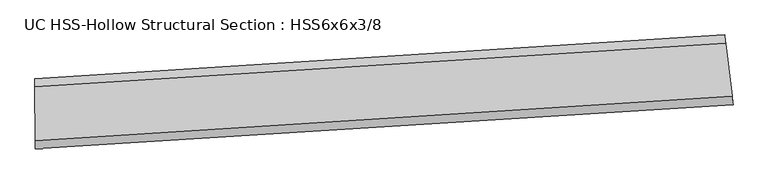
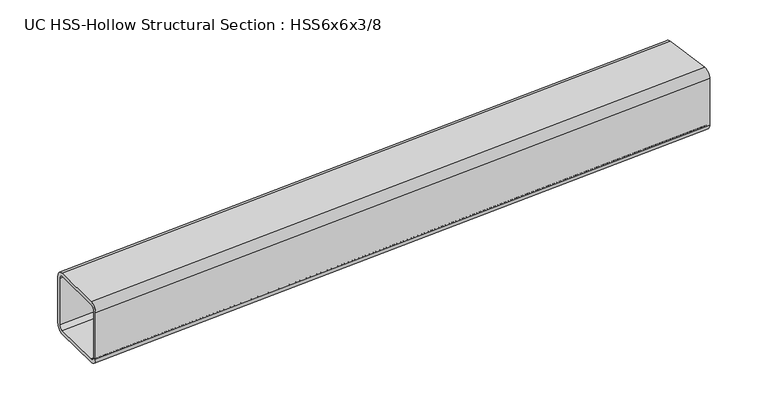
"""IFC4 building model written with IfcOpenShell, lengths in millimetres: beam geometry, UC HSS-Hollow Structural Section : HSS6x6x3/8."""

from ifc_helpers import new_model, si_unit, point, frame, origin, place, context, project, spatial, polyline, circle_curve, ellipse_curve, trimmed, source, transform, mapped, element, save
from ifc_brep_helpers import plane_surface, cylinder_surface, revolved_surface, advanced_brep


def uc_hss_hollow_structural_section_hss6x6x3_8_729e7070(model_context):
    return source(origin(), model_context, "Body", "AdvancedBrep", [
        advanced_brep(
        [(1603.5656204, 20.1567265, 58.4708), (1603.5656204, 20.1567265, -58.4708), (1601.4426245, 37.7583577, -76.2), (1587.4393678, 153.8585154, -76.2), (1585.3163719, 171.4601466, -58.4708), (1585.3163719, 171.4601466, 58.4708), (1587.4393678, 153.8585154, 76.2), (1601.4426245, 37.7583577, 76.2), (1587.4393678, 153.8585154, 67.3354), (1586.3778699, 162.659331, 58.4708), (1586.3778699, 162.659331, -58.4708), (1587.4393678, 153.8585154, -67.3354), (1601.4426245, 37.7583577, -67.3354), (1602.5041224, 28.9575421, -58.4708), (1602.5041224, 28.9575421, 58.4708), (1601.4426245, 37.7583577, 67.3354), (88.7461303, -75.9059326, 58.4708), (88.6286374, -58.1771219, 76.2), (87.8536552, 58.7619101, 76.2), (87.7361622, 76.4907208, 58.4708), (87.7361622, 76.4907208, -58.4708), (87.8536552, 58.7619101, -76.2), (88.6286374, -58.1771219, -76.2), (88.7461303, -75.9059326, -58.4708), (87.8536552, 58.7619101, 67.3354), (88.6286374, -58.1771219, 67.3354), (88.6873839, -67.0415272, 58.4708), (88.6873839, -67.0415272, -58.4708), (88.6286374, -58.1771219, -67.3354), (87.8536552, 58.7619101, -67.3354), (87.7949087, 67.6263155, -58.4708), (87.7949087, 67.6263155, 58.4708)],
        [
            (0, 1),
            (1, 2, circle_curve(frame((1601.4426245, 37.7583577, -58.4708), z_axis=(0.99280459378382, 0.11974572460737093, 0.0), x_axis=(-0.11974572460737093, 0.99280459378382, 0.0)), 17.7292)),
            (2, 3),
            (3, 4, circle_curve(frame((1587.4393678, 153.8585154, -58.4708), z_axis=(0.99280459378382, 0.11974572460737093, 0.0), x_axis=(-0.11974572460737093, 0.99280459378382, 0.0)), 17.7292)),
            (4, 5),
            (5, 6, circle_curve(frame((1587.4393678, 153.8585154, 58.4708), z_axis=(0.99280459378382, 0.11974572460737093, 0.0), x_axis=(-0.11974572460737093, 0.99280459378382, 0.0)), 17.7292)),
            (6, 7),
            (7, 0, circle_curve(frame((1601.4426245, 37.7583577, 58.4708), z_axis=(0.99280459378382, 0.11974572460737093, 0.0), x_axis=(-0.11974572460737093, 0.99280459378382, 0.0)), 17.7292)),
            (8, 9, circle_curve(frame((1587.4393678, 153.8585154, 58.4708), z_axis=(-0.99280459378382, -0.11974572460737093, 0.0), x_axis=(-0.11974572460737093, 0.99280459378382, 0.0)), 8.8646)),
            (9, 10),
            (10, 11, circle_curve(frame((1587.4393678, 153.8585154, -58.4708), z_axis=(-0.99280459378382, -0.11974572460737093, 0.0), x_axis=(-0.11974572460737093, 0.99280459378382, 0.0)), 8.8646)),
            (11, 12),
            (12, 13, circle_curve(frame((1601.4426245, 37.7583577, -58.4708), z_axis=(-0.99280459378382, -0.11974572460737093, 0.0), x_axis=(-0.11974572460737093, 0.99280459378382, 0.0)), 8.8646)),
            (13, 14),
            (14, 15, circle_curve(frame((1601.4426245, 37.7583577, 58.4708), z_axis=(-0.99280459378382, -0.11974572460737093, 0.0), x_axis=(-0.11974572460737093, 0.99280459378382, 0.0)), 8.8646)),
            (15, 8),
            (16, 17, circle_curve(frame((88.6286374, -58.1771219, 58.4708), z_axis=(-0.9999780406145057, -0.006627087503126072, 0.0), x_axis=(-0.006627087503126072, 0.9999780406145057, 0.0)), 17.7292)),
            (17, 18),
            (18, 19, circle_curve(frame((87.8536552, 58.7619101, 58.4708), z_axis=(-0.9999780406145057, -0.006627087503126072, 0.0), x_axis=(-0.006627087503126072, 0.9999780406145057, 0.0)), 17.7292)),
            (19, 20),
            (20, 21, circle_curve(frame((87.8536552, 58.7619101, -58.4708), z_axis=(-0.9999780406145057, -0.006627087503126072, 0.0), x_axis=(-0.006627087503126072, 0.9999780406145057, 0.0)), 17.7292)),
            (21, 22),
            (22, 23, circle_curve(frame((88.6286374, -58.1771219, -58.4708), z_axis=(-0.9999780406145057, -0.006627087503126072, 0.0), x_axis=(-0.006627087503126072, 0.9999780406145057, 0.0)), 17.7292)),
            (23, 16),
            (24, 25),
            (25, 26, circle_curve(frame((88.6286374, -58.1771219, 58.4708), z_axis=(0.9999780406145057, 0.006627087503126072, 0.0), x_axis=(-0.006627087503126072, 0.9999780406145057, 0.0)), 8.8646)),
            (26, 27),
            (27, 28, circle_curve(frame((88.6286374, -58.1771219, -58.4708), z_axis=(0.9999780406145057, 0.006627087503126072, 0.0), x_axis=(-0.006627087503126072, 0.9999780406145057, 0.0)), 8.8646)),
            (28, 29),
            (29, 30, circle_curve(frame((87.8536552, 58.7619101, -58.4708), z_axis=(0.9999780406145057, 0.006627087503126072, 0.0), x_axis=(-0.006627087503126072, 0.9999780406145057, 0.0)), 8.8646)),
            (30, 31),
            (31, 24, circle_curve(frame((87.8536552, 58.7619101, 58.4708), z_axis=(0.9999780406145057, 0.006627087503126072, 0.0), x_axis=(-0.006627087503126072, 0.9999780406145057, 0.0)), 8.8646)),
            (7, 17, circle_curve(frame((0.0, 13315.2227471, 76.2), z_axis=(0.0, 0.0, -1.0), x_axis=(-0.3555816928590108, 0.9346452052535873, 0.0)), 13373.6935471)),
            (16, 0, circle_curve(frame((0.0, 13315.2227471, 58.4708), z_axis=(0.0, 0.0, 1.0), x_axis=(-0.3555816928590108, 0.9346452052535873, 0.0)), 13391.4227471)),
            (6, 18, circle_curve(frame((0.0, 13315.2227471, 76.2), z_axis=(0.0, 0.0, -1.0), x_axis=(-0.3555816928590108, 0.9346452052535873, 0.0)), 13256.7519471)),
            (5, 19, circle_curve(frame((0.0, 13315.2227471, 58.4708), z_axis=(0.0, 0.0, -1.0), x_axis=(-0.3555816928590108, 0.9346452052535873, 0.0)), 13239.0227471)),
            (4, 20, circle_curve(frame((0.0, 13315.2227471, -58.4708), z_axis=(0.0, 0.0, -1.0), x_axis=(-0.3555816928590108, 0.9346452052535873, 0.0)), 13239.0227471)),
            (3, 21, circle_curve(frame((0.0, 13315.2227471, -76.2), z_axis=(0.0, 0.0, -1.0), x_axis=(-0.3555816928590108, 0.9346452052535873, 0.0)), 13256.7519471)),
            (2, 22, circle_curve(frame((0.0, 13315.2227471, -76.2), z_axis=(0.0, 0.0, -1.0), x_axis=(-0.3555816928590108, 0.9346452052535873, 0.0)), 13373.6935471)),
            (1, 23, circle_curve(frame((0.0, 13315.2227471, -58.4708), z_axis=(0.0, 0.0, -1.0), x_axis=(-0.3555816928590108, 0.9346452052535873, 0.0)), 13391.4227471)),
            (15, 25, circle_curve(frame((0.0, 13315.2227471, 67.3354), z_axis=(0.0, 0.0, -1.0), x_axis=(-0.3555816928590108, 0.9346452052535873, 0.0)), 13373.6935471)),
            (24, 8, circle_curve(frame((0.0, 13315.2227471, 67.3354), z_axis=(0.0, 0.0, 1.0), x_axis=(-0.3555816928590108, 0.9346452052535873, 0.0)), 13256.7519471)),
            (14, 26, circle_curve(frame((0.0, 13315.2227471, 58.4708), z_axis=(0.0, 0.0, -1.0), x_axis=(-0.3555816928590108, 0.9346452052535873, 0.0)), 13382.5581471)),
            (13, 27, circle_curve(frame((0.0, 13315.2227471, -58.4708), z_axis=(0.0, 0.0, -1.0), x_axis=(-0.3555816928590108, 0.9346452052535873, 0.0)), 13382.5581471)),
            (12, 28, circle_curve(frame((0.0, 13315.2227471, -67.3354), z_axis=(0.0, 0.0, -1.0), x_axis=(-0.3555816928590108, 0.9346452052535873, 0.0)), 13373.6935471)),
            (11, 29, circle_curve(frame((0.0, 13315.2227471, -67.3354), z_axis=(0.0, 0.0, -1.0), x_axis=(-0.3555816928590108, 0.9346452052535873, 0.0)), 13256.7519471)),
            (10, 30, circle_curve(frame((0.0, 13315.2227471, -58.4708), z_axis=(0.0, 0.0, -1.0), x_axis=(-0.3555816928590108, 0.9346452052535873, 0.0)), 13247.8873471)),
            (9, 31, circle_curve(frame((0.0, 13315.2227471, 58.4708), z_axis=(0.0, 0.0, -1.0), x_axis=(-0.3555816928590108, 0.9346452052535873, 0.0)), 13247.8873471)),
        ],
        [
            plane_surface(frame((1594.4409962, 95.8084365, 0.0), z_axis=(0.9928045937838192, 0.11974572460737729, 0.0), x_axis=(0.0, 0.0, 1.0))),
            plane_surface(frame((88.2411463, 0.2923941, 0.0), z_axis=(-0.9999780406145057, -0.006627087503132456, 0.0), x_axis=(0.0, 0.0, 1.0))),
            revolved_surface(trimmed(ellipse_curve(frame((-4755.4405912, 25814.8812974, 58.4708), z_axis=(-0.9346452052535895, -0.35558169285900487, 0.0), x_axis=(0.35558169285900487, -0.9346452052535895, 0.0)), 17.7292, 17.7292), [point((-4755.4405912, 25814.8812974, 76.2))], [point((-4761.7447702, 25831.4518092, 58.4708))], True, "CARTESIAN"), (0.0, 13315.2227471, 0.0), (0.0, 0.0, -1.0000000000000002)),
            plane_surface(frame((0.0, 13315.2227471, 76.2), z_axis=(0.0, 0.0, 1.0000000000000002), x_axis=(-0.3555816928590108, 0.9346452052535873, 0.0))),
            revolved_surface(trimmed(ellipse_curve(frame((-4713.8582992, 25705.5823917, 58.4708), z_axis=(-0.9346452052535895, -0.35558169285900487, 0.0), x_axis=(0.35558169285900487, -0.9346452052535895, 0.0)), 17.7292, 17.7292), [point((-4707.5541202, 25689.0118799, 58.4708))], [point((-4713.8582992, 25705.5823917, 76.2))], True, "CARTESIAN"), (0.0, 13315.2227471, 0.0), (0.0, 0.0, -1.0000000000000002)),
            revolved_surface(polyline([(-4707.55412021277, 25689.011879920192, -58.470800000000025), (-4707.55412021277, 25689.011879920192, 58.470800000000025)]), (0.0, 13315.2227471, 0.0), (0.0, 0.0, -1.0000000000000002)),
            revolved_surface(trimmed(ellipse_curve(frame((-4713.8582992, 25705.5823917, -58.4708), z_axis=(-0.9346452052535895, -0.35558169285900487, 0.0), x_axis=(0.35558169285900487, -0.9346452052535895, 0.0)), 17.7292, 17.7292), [point((-4713.8582992, 25705.5823917, -76.2))], [point((-4707.5541202, 25689.0118799, -58.4708))], True, "CARTESIAN"), (0.0, 13315.2227471, 0.0), (0.0, 0.0, -1.0000000000000002)),
            plane_surface(frame((0.0, 13315.2227471, -76.2), z_axis=(0.0, 0.0, -1.0000000000000002), x_axis=(-0.3555816928590108, 0.9346452052535873, 0.0))),
            revolved_surface(trimmed(ellipse_curve(frame((-4755.4405912, 25814.8812974, -58.4708), z_axis=(-0.9346452052535895, -0.35558169285900487, 0.0), x_axis=(0.35558169285900487, -0.9346452052535895, 0.0)), 17.7292, 17.7292), [point((-4761.7447702, 25831.4518092, -58.4708))], [point((-4755.4405912, 25814.8812974, -76.2))], True, "CARTESIAN"), (0.0, 13315.2227471, 0.0), (0.0, 0.0, -1.0000000000000002)),
            cylinder_surface(frame((0.0, 13315.2227471, 0.0), z_axis=(0.0, 0.0, -1.0000000000000002), x_axis=(-0.3555816928590108, 0.9346452052535873, 0.0)), 13391.4227471),
            plane_surface(frame((0.0, 13315.2227471, 67.3354), z_axis=(0.0, 0.0, -1.0000000000000002), x_axis=(-0.3555816928590108, 0.9346452052535873, 0.0))),
            revolved_surface(trimmed(ellipse_curve(frame((-4755.4405912, 25814.8812974, 58.4708), z_axis=(0.9346452052535895, 0.35558169285900487, 0.0), x_axis=(0.35558169285900487, -0.9346452052535895, 0.0)), 8.8646, 8.8646), [point((-4758.5926807, 25823.1665533, 58.4708))], [point((-4755.4405912, 25814.8812974, 67.3354))], True, "CARTESIAN"), (0.0, 13315.2227471, 0.0), (0.0, 0.0, -1.0000000000000002)),
            revolved_surface(polyline([(-4758.592680729966, 25823.166553314346, -58.470800000000025), (-4758.592680729966, 25823.166553314346, 58.470800000000025)]), (0.0, 13315.2227471, 0.0), (0.0, 0.0, -1.0000000000000002)),
            revolved_surface(trimmed(ellipse_curve(frame((-4755.4405912, 25814.8812974, -58.4708), z_axis=(0.9346452052535895, 0.35558169285900487, 0.0), x_axis=(0.35558169285900487, -0.9346452052535895, 0.0)), 8.8646, 8.8646), [point((-4755.4405912, 25814.8812974, -67.3354))], [point((-4758.5926807, 25823.1665533, -58.4708))], True, "CARTESIAN"), (0.0, 13315.2227471, 0.0), (0.0, 0.0, -1.0000000000000002)),
            plane_surface(frame((0.0, 13315.2227471, -67.3354), z_axis=(0.0, 0.0, 1.0000000000000002), x_axis=(-0.3555816928590108, 0.9346452052535873, 0.0))),
            revolved_surface(trimmed(ellipse_curve(frame((-4713.8582992, 25705.5823917, -58.4708), z_axis=(0.9346452052535895, 0.35558169285900487, 0.0), x_axis=(0.35558169285900487, -0.9346452052535895, 0.0)), 8.8646, 8.8646), [point((-4710.7062097, 25697.2971358, -58.4708))], [point((-4713.8582992, 25705.5823917, -67.3354))], True, "CARTESIAN"), (0.0, 13315.2227471, 0.0), (0.0, 0.0, -1.0000000000000002)),
            cylinder_surface(frame((0.0, 13315.2227471, 0.0), z_axis=(0.0, 0.0, -1.0000000000000002), x_axis=(-0.3555816928590108, 0.9346452052535873, 0.0)), 13247.8873471),
            revolved_surface(trimmed(ellipse_curve(frame((-4713.8582992, 25705.5823917, 58.4708), z_axis=(0.9346452052535895, 0.35558169285900487, 0.0), x_axis=(0.35558169285900487, -0.9346452052535895, 0.0)), 8.8646, 8.8646), [point((-4713.8582992, 25705.5823917, 67.3354))], [point((-4710.7062097, 25697.2971358, 58.4708))], True, "CARTESIAN"), (0.0, 13315.2227471, 0.0), (0.0, 0.0, -1.0000000000000002)),
        ],
        [
            (0, [[1, 2, 3, 4, 5, 6, 7, 8], [9, 10, 11, 12, 13, 14, 15, 16]]),
            (1, [[17, 18, 19, 20, 21, 22, 23, 24], [25, 26, 27, 28, 29, 30, 31, 32]]),
            (2, [[33, -17, 34, -8]]),
            (3, [[35, -18, -33, -7]]),
            (4, [[36, -19, -35, -6]]),
            (5, [[37, -20, -36, -5]]),
            (6, [[38, -21, -37, -4]]),
            (7, [[39, -22, -38, -3]]),
            (8, [[40, -23, -39, -2]]),
            (9, [[-34, -24, -40, -1]]),
            (10, [[41, -25, 42, -16]]),
            (11, [[43, -26, -41, -15]]),
            (12, [[44, -27, -43, -14]]),
            (13, [[45, -28, -44, -13]]),
            (14, [[46, -29, -45, -12]]),
            (15, [[47, -30, -46, -11]]),
            (16, [[48, -31, -47, -10]]),
            (17, [[-42, -32, -48, -9]]),
        ],
    ),
    ])


if __name__ == "__main__":
    model = new_model("IFC4")
    model_context = context("Model", 3, world=origin())
    ifc_project = project(units=[si_unit("LENGTHUNIT", "METRE", prefix="MILLI")], contexts=[model_context])
    site = spatial("IfcSite", under=ifc_project)
    building = spatial("IfcBuilding", under=site)
    placement = place(None, origin())
    uc_hss_hollow_structural_section_hss6x6x3_8_shape = uc_hss_hollow_structural_section_hss6x6x3_8_729e7070(model_context)
    element("IfcBeam", 1, ObjectType="UC HSS-Hollow Structural Section : HSS6x6x3/8", at=placement, inside=building, context=model_context, shape_type="MappedRepresentation", body=[
        mapped(uc_hss_hollow_structural_section_hss6x6x3_8_shape, transform((0.0, 0.0, 0.0), x_axis=(1.0, 0.0, 0.0), y_axis=(0.0, 1.0, 0.0), z_axis=(0.0, 0.0, 1.0))),
    ])
    save(model, "model.ifc")
